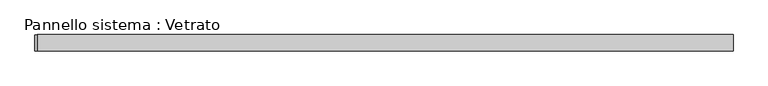
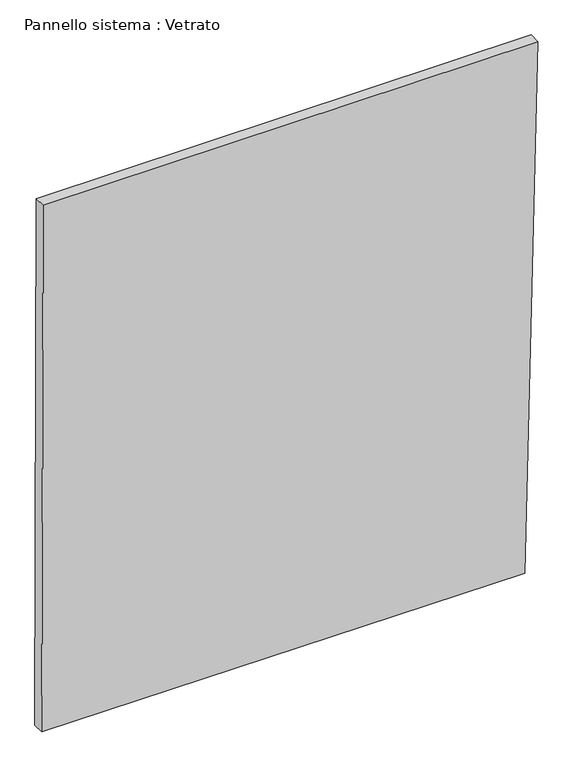
"""IFC4 building model written with IfcOpenShell, lengths in millimetres: plate geometry, Pannello sistema : Vetrato."""

from ifc_helpers import new_model, si_unit, frame, origin, place, context, project, spatial, polyline, outline, extrude, source, transform, mapped, element, save


def pannello_sistema_vetrato_98db3a02(model_context):
    return source(origin(), model_context, "Body", "SweptSolid", [
        extrude(outline(polyline([(3.5795795, -645.7987041), (0.0, 612.0985572), (1450.3140489, 645.7987041), (1450.3140502, -641.831487), (3.5795795, -645.7987041)])), frame((0.0, -15.0, 0.0), z_axis=(0.0, 1.0, 0.0), x_axis=(0.0, 0.0, 1.0)), (0.0, 0.0, 1.0), 30.0),
    ])


if __name__ == "__main__":
    model = new_model("IFC4")
    model_context = context("Model", 3, world=origin())
    ifc_project = project(units=[si_unit("LENGTHUNIT", "METRE", prefix="MILLI")], contexts=[model_context])
    site = spatial("IfcSite", under=ifc_project)
    building = spatial("IfcBuilding", under=site)
    placement = place(None, origin())
    pannello_sistema_vetrato_shape = pannello_sistema_vetrato_98db3a02(model_context)
    element("IfcPlate", 1, ObjectType="Pannello sistema : Vetrato", at=placement, inside=building, context=model_context, shape_type="MappedRepresentation", body=[
        mapped(pannello_sistema_vetrato_shape, transform((0.0, 0.0, 0.0), x_axis=(1.0, 0.0, 0.0), y_axis=(0.0, 1.0, 0.0), z_axis=(0.0, 0.0, 1.0))),
    ])
    save(model, "model.ifc")
